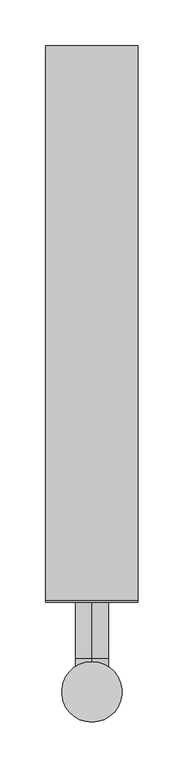
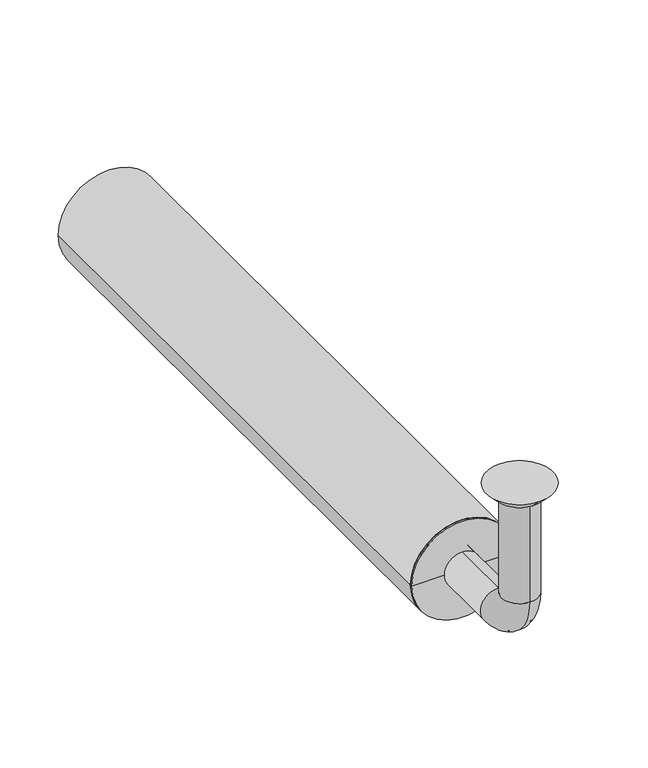
"""IFC4 building model written with IfcOpenShell, lengths in millimetres: beam geometry."""

from ifc_helpers import new_model, si_unit, point, frame, frame_2d, origin, place, context, project, spatial, polyline, circle_curve, ellipse_curve, trimmed, segment, composite_curve, outline, extrude, source, transform, mapped, element, save
from ifc_brep_helpers import plane_surface, cylinder_surface, revolved_surface, advanced_brep


def beam_9783461b(model_context):
    return source(origin(), model_context, "Body", "SolidModel", [
        extrude(outline(composite_curve([segment(trimmed(circle_curve(frame_2d((-150.0, 0.0)), 50.5), [point((-150.0, 50.5))], [point((-150.0, -50.5))], False, "CARTESIAN"), True, "CONTINUOUS"), segment(trimmed(circle_curve(frame_2d((-150.0, 0.0)), 50.5), [point((-150.0, -50.5))], [point((-150.0, 50.5))], False, "CARTESIAN"), True, "CONTINUOUS")], self_intersect=False), holes=[composite_curve([segment(trimmed(circle_curve(frame_2d((-150.0, 0.0)), 47.5), [point((-150.0, 47.5))], [point((-150.0, -47.5))], True, "CARTESIAN"), True, "CONTINUOUS"), segment(trimmed(circle_curve(frame_2d((-150.0, 0.0)), 47.5), [point((-150.0, -47.5))], [point((-150.0, 47.5))], True, "CARTESIAN"), True, "CONTINUOUS")], self_intersect=False)]), frame((0.0, 100.0, 0.0), z_axis=(0.0, 1.0, 0.0), x_axis=(0.0, 0.0, 1.0)), (0.0, 0.0, 1.0), 605.0),
        advanced_brep(
        [(0.0, -18.0, -10.0), (0.0, 18.0, -10.0), (0.0, -17.0, -10.0), (0.0, 17.0, -10.0), (0.0, -18.0, -114.0), (0.0, 18.0, -114.0), (0.0, -17.0, -114.0), (0.0, 17.0, -114.0), (0.0, 36.0, -132.0), (0.0, 36.0, -168.0), (0.0, 36.0, -133.0), (0.0, 36.0, -167.0), (0.0, 123.0, -168.0), (0.0, 123.0, -132.0), (0.0, 123.0, -167.0), (0.0, 123.0, -133.0)],
        [
            (0, 1, circle_curve(frame((0.0, 0.0, -10.0), z_axis=(0.0, 0.0, 1.0), x_axis=(0.0, 1.0, 0.0)), 18.0)),
            (1, 0, circle_curve(frame((0.0, 0.0, -10.0), z_axis=(0.0, 0.0, 1.0), x_axis=(0.0, 1.0, 0.0)), 18.0)),
            (2, 3, circle_curve(frame((0.0, 0.0, -10.0), z_axis=(0.0, 0.0, -1.0), x_axis=(0.0, 1.0, 0.0)), 17.0)),
            (3, 2, circle_curve(frame((0.0, 0.0, -10.0), z_axis=(0.0, 0.0, -1.0), x_axis=(0.0, 1.0, 0.0)), 17.0)),
            (0, 4),
            (4, 5, circle_curve(frame((0.0, 0.0, -114.0), z_axis=(0.0, 0.0, 1.0), x_axis=(0.0, 1.0, 0.0)), 18.0)),
            (5, 1),
            (5, 4, circle_curve(frame((0.0, 0.0, -114.0), z_axis=(0.0, 0.0, 1.0), x_axis=(0.0, 1.0, 0.0)), 18.0)),
            (2, 6),
            (6, 7, circle_curve(frame((0.0, 0.0, -114.0), z_axis=(0.0, 0.0, -1.0), x_axis=(0.0, 1.0, 0.0)), 17.0)),
            (7, 3),
            (7, 6, circle_curve(frame((0.0, 0.0, -114.0), z_axis=(0.0, 0.0, -1.0), x_axis=(0.0, 1.0, 0.0)), 17.0)),
            (8, 5, circle_curve(frame((0.0, 36.0, -114.0), z_axis=(-1.0, 0.0, 0.0), x_axis=(0.0, -1.0, 0.0)), 18.0)),
            (4, 9, circle_curve(frame((0.0, 36.0, -114.0), z_axis=(1.0, 0.0, 0.0), x_axis=(0.0, -1.0, 0.0)), 54.0)),
            (9, 8, circle_curve(frame((0.0, 36.0, -150.0), z_axis=(0.0, -1.0, 0.0), x_axis=(0.0, 0.0, 1.0)), 18.0)),
            (8, 9, circle_curve(frame((0.0, 36.0, -150.0), z_axis=(0.0, -1.0, 0.0), x_axis=(0.0, 0.0, 1.0)), 18.0)),
            (10, 7, circle_curve(frame((0.0, 36.0, -114.0), z_axis=(-1.0, 0.0, 0.0), x_axis=(0.0, -1.0, 0.0)), 19.0)),
            (6, 11, circle_curve(frame((0.0, 36.0, -114.0), z_axis=(1.0, 0.0, 0.0), x_axis=(0.0, -1.0, 0.0)), 53.0)),
            (11, 10, circle_curve(frame((0.0, 36.0, -150.0), z_axis=(0.0, 1.0, 0.0), x_axis=(0.0, 0.0, 1.0)), 17.0)),
            (10, 11, circle_curve(frame((0.0, 36.0, -150.0), z_axis=(0.0, 1.0, 0.0), x_axis=(0.0, 0.0, 1.0)), 17.0)),
            (12, 13, circle_curve(frame((0.0, 123.0, -150.0), z_axis=(0.0, 1.0, 0.0), x_axis=(0.0, 0.0, 1.0)), 18.0)),
            (13, 12, circle_curve(frame((0.0, 123.0, -150.0), z_axis=(0.0, 1.0, 0.0), x_axis=(0.0, 0.0, 1.0)), 18.0)),
            (14, 15, circle_curve(frame((0.0, 123.0, -150.0), z_axis=(0.0, -1.0, 0.0), x_axis=(0.0, 0.0, 1.0)), 17.0)),
            (15, 14, circle_curve(frame((0.0, 123.0, -150.0), z_axis=(0.0, -1.0, 0.0), x_axis=(0.0, 0.0, 1.0)), 17.0)),
            (9, 12),
            (13, 8),
            (11, 14),
            (15, 10),
        ],
        [
            plane_surface(frame((0.0, 0.0, -10.0), z_axis=(0.0, 0.0, 1.0), x_axis=(1.0, 0.0, 0.0))),
            cylinder_surface(frame((0.0, 0.0, -10.0), z_axis=(0.0, 0.0, 1.0), x_axis=(0.0, 1.0, 0.0)), 18.0),
            revolved_surface(polyline([(0.0, 17.0, -114.0), (0.0, 17.0, -10.0)]), (0.0, 0.0, -10.0), (0.0, 0.0, -1.0)),
            revolved_surface(trimmed(ellipse_curve(frame((0.0, 0.0, -114.0), z_axis=(0.0, 0.0, 1.0), x_axis=(0.0, 1.0, 0.0)), 18.0, 18.0), [point((0.0, -18.0, -114.0))], [point((0.0, 18.0, -114.0))], True, "CARTESIAN"), (0.0, 36.0, -114.0), (1.0, 0.0, 0.0)),
            revolved_surface(trimmed(ellipse_curve(frame((0.0, 0.0, -114.0), z_axis=(0.0, 0.0, 1.0), x_axis=(0.0, 1.0, 0.0)), 18.0, 18.0), [point((0.0, 18.0, -114.0))], [point((0.0, -18.0, -114.0))], True, "CARTESIAN"), (0.0, 36.0, -114.0), (1.0, 0.0, 0.0)),
            revolved_surface(trimmed(ellipse_curve(frame((0.0, 0.0, -114.0), z_axis=(0.0, 0.0, -1.0), x_axis=(0.0, 1.0, 0.0)), 17.0, 17.0), [point((0.0, -17.0, -114.0))], [point((0.0, 17.0, -114.0))], True, "CARTESIAN"), (0.0, 36.0, -114.0), (1.0, 0.0, 0.0)),
            revolved_surface(trimmed(ellipse_curve(frame((0.0, 0.0, -114.0), z_axis=(0.0, 0.0, -1.0), x_axis=(0.0, 1.0, 0.0)), 17.0, 17.0), [point((0.0, 17.0, -114.0))], [point((0.0, -17.0, -114.0))], True, "CARTESIAN"), (0.0, 36.0, -114.0), (1.0, 0.0, 0.0)),
            plane_surface(frame((0.0, 123.0, -150.0), z_axis=(0.0, 1.0, 0.0), x_axis=(1.0, 0.0, 0.0))),
            cylinder_surface(frame((0.0, 36.0, -150.0), z_axis=(0.0, -1.0, 0.0), x_axis=(0.0, 0.0, 1.0)), 18.0),
            revolved_surface(polyline([(0.0, 123.0, -133.0), (0.0, 36.0, -133.0)]), (0.0, 36.0, -150.0), (0.0, 1.0, 0.0)),
        ],
        [
            (0, [[1, 2], [3, 4]]),
            (1, [[-1, 5, 6, 7]]),
            (1, [[-2, -7, 8, -5]]),
            (2, [[-3, 9, 10, 11]]),
            (2, [[-4, -11, 12, -9]]),
            (3, [[13, -6, 14, 15]]),
            (4, [[-14, -8, -13, 16]]),
            (5, [[17, -10, 18, 19]]),
            (6, [[-18, -12, -17, 20]]),
            (7, [[21, 22], [23, 24]]),
            (8, [[-15, 25, -22, 26]]),
            (8, [[-16, -26, -21, -25]]),
            (9, [[-19, 27, -24, 28]]),
            (9, [[-20, -28, -23, -27]]),
        ],
    ),
        advanced_brep(
        [(0.0, 23.0, -10.0), (0.0, -23.0, -10.0), (0.0, 33.0, 0.0), (0.0, -33.0, 0.0)],
        [
            (0, 1, circle_curve(frame((0.0, 0.0, -10.0), z_axis=(0.0, 0.0, -1.0), x_axis=(0.0, 1.0, 0.0)), 23.0)),
            (1, 0, circle_curve(frame((0.0, 0.0, -10.0), z_axis=(0.0, 0.0, -1.0), x_axis=(0.0, -1.0, 0.0)), 23.0)),
            (2, 3, circle_curve(frame((0.0, 0.0, 0.0), z_axis=(0.0, 0.0, 1.0), x_axis=(0.0, -1.0, 0.0)), 33.0)),
            (3, 2, circle_curve(frame((0.0, 0.0, 0.0), z_axis=(0.0, 0.0, 1.0), x_axis=(0.0, 1.0, 0.0)), 33.0)),
            (3, 1),
            (0, 2),
        ],
        [
            plane_surface(frame((0.0, 0.0, -10.0), z_axis=(0.0, 0.0, -1.0), x_axis=(-1.0, 0.0, 0.0))),
            plane_surface(frame((0.0, 0.0, 0.0), z_axis=(0.0, 0.0, 1.0), x_axis=(-1.0, 0.0, 0.0))),
            revolved_surface(polyline([(0.0, 23.0, -10.0), (0.0, 33.0, 0.0)]), (0.0, 0.0, -33.0), (0.0, 0.0, 1.0)),
            revolved_surface(polyline([(0.0, -23.0, -10.0), (0.0, -33.0, 0.0)]), (0.0, 0.0, -33.0), (0.0, 0.0, 1.0)),
        ],
        [
            (0, [[1, 2]]),
            (1, [[3, 4]]),
            (2, [[-4, 5, -1, 6]]),
            (3, [[-3, -6, -2, -5]]),
        ],
    ),
        advanced_brep(
        [(47.5, 100.0, -150.0), (-47.5, 100.0, -150.0), (-47.5, 123.0, -150.0), (47.5, 123.0, -150.0), (-18.0, 123.0, -150.0), (18.0, 123.0, -150.0), (-18.0, 98.0, -150.0), (18.0, 98.0, -150.0), (-50.5, 98.0, -150.0), (50.5, 98.0, -150.0), (-50.5, 100.0, -150.0), (50.5, 100.0, -150.0)],
        [
            (0, 1, circle_curve(frame((0.0, 100.0, -150.0), z_axis=(0.0, 1.0, 0.0), x_axis=(-1.0, 0.0, 0.0)), 47.5)),
            (1, 2),
            (2, 3, circle_curve(frame((0.0, 123.0, -150.0), z_axis=(0.0, -1.0, 0.0), x_axis=(-1.0, 0.0, 0.0)), 47.5)),
            (3, 0),
            (1, 0, circle_curve(frame((0.0, 100.0, -150.0), z_axis=(0.0, 1.0, 0.0), x_axis=(-1.0, 0.0, 0.0)), 47.5)),
            (3, 2, circle_curve(frame((0.0, 123.0, -150.0), z_axis=(0.0, -1.0, 0.0), x_axis=(-1.0, 0.0, 0.0)), 47.5)),
            (2, 4),
            (4, 5, circle_curve(frame((0.0, 123.0, -150.0), z_axis=(0.0, -1.0, 0.0), x_axis=(-1.0, 0.0, 0.0)), 18.0)),
            (5, 3),
            (5, 4, circle_curve(frame((0.0, 123.0, -150.0), z_axis=(0.0, -1.0, 0.0), x_axis=(-1.0, 0.0, 0.0)), 18.0)),
            (4, 6),
            (6, 7, circle_curve(frame((0.0, 98.0, -150.0), z_axis=(0.0, -1.0, 0.0), x_axis=(-1.0, 0.0, 0.0)), 18.0)),
            (7, 5),
            (7, 6, circle_curve(frame((0.0, 98.0, -150.0), z_axis=(0.0, -1.0, 0.0), x_axis=(-1.0, 0.0, 0.0)), 18.0)),
            (6, 8),
            (8, 9, circle_curve(frame((0.0, 98.0, -150.0), z_axis=(0.0, -1.0, 0.0), x_axis=(-1.0, 0.0, 0.0)), 50.5)),
            (9, 7),
            (9, 8, circle_curve(frame((0.0, 98.0, -150.0), z_axis=(0.0, -1.0, 0.0), x_axis=(-1.0, 0.0, 0.0)), 50.5)),
            (8, 10),
            (10, 11, circle_curve(frame((0.0, 100.0, -150.0), z_axis=(0.0, -1.0, 0.0), x_axis=(-1.0, 0.0, 0.0)), 50.5)),
            (11, 9),
            (11, 10, circle_curve(frame((0.0, 100.0, -150.0), z_axis=(0.0, -1.0, 0.0), x_axis=(-1.0, 0.0, 0.0)), 50.5)),
            (10, 1),
            (0, 11),
        ],
        [
            cylinder_surface(frame((0.0, 98.0, -150.0), z_axis=(0.0, -1.0, 0.0), x_axis=(-1.0, 0.0, 0.0)), 47.5),
            plane_surface(frame((0.0, 123.0, -150.0), z_axis=(0.0, 1.0, 0.0), x_axis=(-1.0, 0.0, 0.0))),
            revolved_surface(polyline([(-18.0, 98.0, -150.0), (-18.0, 123.0, -150.0)]), (0.0, 98.0, -150.0), (0.0, -1.0, 0.0)),
            plane_surface(frame((0.0, 98.0, -150.0), z_axis=(0.0, -1.0, 0.0), x_axis=(-1.0, 0.0, 0.0))),
            cylinder_surface(frame((0.0, 98.0, -150.0), z_axis=(0.0, -1.0, 0.0), x_axis=(-1.0, 0.0, 0.0)), 50.5),
            plane_surface(frame((0.0, 100.0, -150.0), z_axis=(0.0, 1.0, 0.0), x_axis=(-1.0, 0.0, 0.0))),
        ],
        [
            (0, [[1, 2, 3, 4]]),
            (0, [[5, -4, 6, -2]]),
            (1, [[-3, 7, 8, 9]]),
            (1, [[-6, -9, 10, -7]]),
            (2, [[-8, 11, 12, 13]]),
            (2, [[-10, -13, 14, -11]]),
            (3, [[-12, 15, 16, 17]]),
            (3, [[-14, -17, 18, -15]]),
            (4, [[-16, 19, 20, 21]]),
            (4, [[-18, -21, 22, -19]]),
            (5, [[-20, 23, -1, 24]]),
            (5, [[-22, -24, -5, -23]]),
        ],
    ),
    ])


if __name__ == "__main__":
    model = new_model("IFC4")
    model_context = context("Model", 3, world=origin())
    ifc_project = project(units=[si_unit("LENGTHUNIT", "METRE", prefix="MILLI")], contexts=[model_context])
    site = spatial("IfcSite", under=ifc_project)
    building = spatial("IfcBuilding", under=site)
    placement = place(None, origin())
    beam_shape = beam_9783461b(model_context)
    element("IfcBeam", 1, at=placement, inside=building, context=model_context, shape_type="MappedRepresentation", body=[
        mapped(beam_shape, transform((0.0, 0.0, 0.0), x_axis=(1.0, 0.0, 0.0), y_axis=(0.0, 1.0, 0.0), z_axis=(0.0, 0.0, 1.0))),
    ])
    save(model, "model.ifc")
